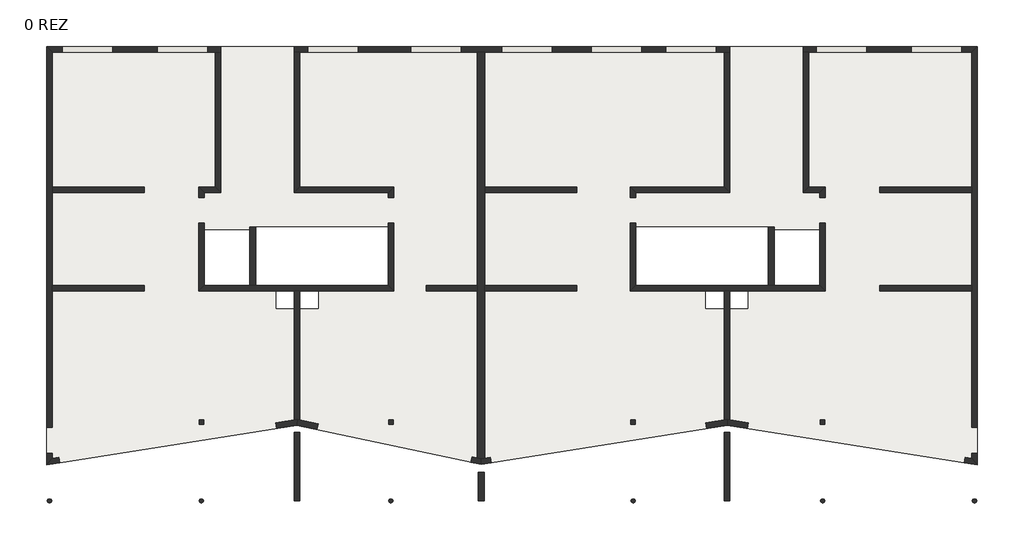
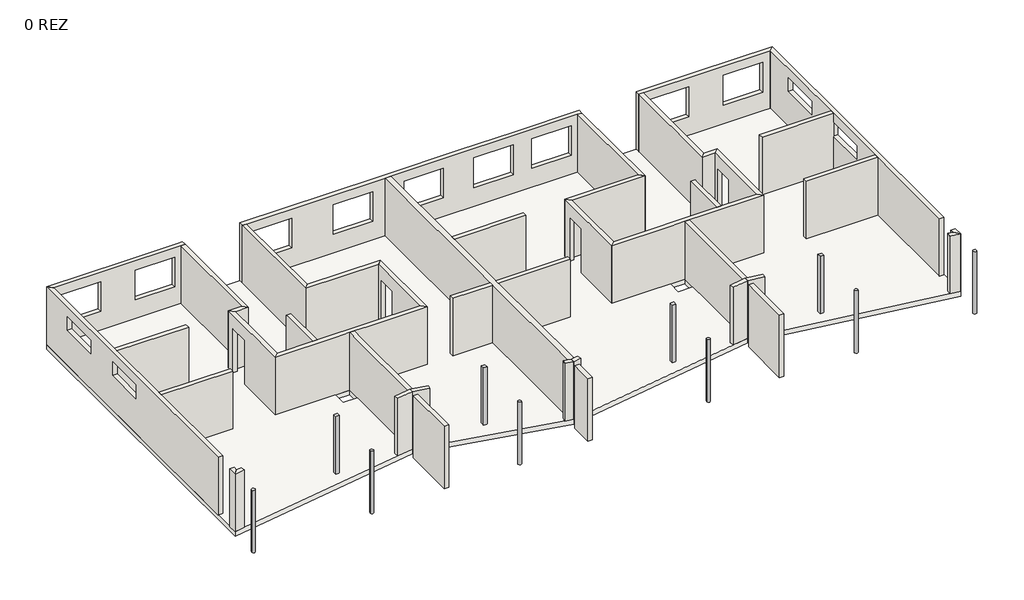
# One storey: 44 walls, 10 columns, 1 slab.
"""IFC4 building model written with IfcOpenShell, lengths in millimetres."""

from ifc_helpers import new_model, si_unit, point, frame, frame_2d, origin, origin_with_axes, place, context, project, spatial, polyline, circle_curve, trimmed, segment, composite_curve, outline, extrude, faceted_brep, element, save

model = new_model("IFC4")

# Units and contexts
model_context = context("Model", 3, world=origin())
ifc_project = project(units=[si_unit("LENGTHUNIT", "METRE", prefix="MILLI")], contexts=[model_context])

# Site, building, storey
site = spatial("IfcSite", under=ifc_project)
building = spatial("IfcBuilding", under=site)
storey = spatial("IfcBuildingStorey", under=building, Name="0 REZ", Elevation=0.0)

# Columns
placement = place(None, origin())
element("IfcColumn", 1, ObjectType="160 x 160mm", at=placement, inside=storey, context=model_context, shape_type="SweptSolid", body=[
    extrude(outline(polyline([(-14515.1776751, -17054.4834406), (-14515.1776751, -17214.4834406), (-14675.1776751, -17214.4834406), (-14675.1776751, -17054.4834406), (-14515.1776751, -17054.4834406)])), origin_with_axes(), (0.0, 0.0, 1.0), 2740.0),
])
element("IfcColumn", 2, ObjectType="160 x 160mm", at=placement, inside=storey, context=model_context, shape_type="SweptSolid", body=[
    extrude(outline(polyline([(-7875.1776751, -17054.4834406), (-7875.1776751, -17214.4834406), (-8035.1776751, -17214.4834406), (-8035.1776751, -17054.4834406), (-7875.1776751, -17054.4834406)])), origin_with_axes(), (0.0, 0.0, 1.0), 2740.0),
])
element("IfcColumn", 3, ObjectType="160 x 160mm", at=placement, inside=storey, context=model_context, shape_type="SweptSolid", body=[
    extrude(outline(polyline([(614.8223249, -17054.4834406), (614.8223249, -17214.4834406), (454.8223249, -17214.4834406), (454.8223249, -17054.4834406), (614.8223249, -17054.4834406)])), origin_with_axes(), (0.0, 0.0, 1.0), 2740.0),
])
element("IfcColumn", 4, ObjectType="160 x 160mm", at=placement, inside=storey, context=model_context, shape_type="SweptSolid", body=[
    extrude(outline(polyline([(7254.8223249, -17054.4834406), (7254.8223249, -17214.4834406), (7094.8223249, -17214.4834406), (7094.8223249, -17054.4834406), (7254.8223249, -17054.4834406)])), origin_with_axes(), (0.0, 0.0, 1.0), 2740.0),
])
element("IfcColumn", 5, ObjectType="160mm", at=placement, inside=storey, context=model_context, shape_type="SweptSolid", body=[
    extrude(outline(composite_curve([segment(trimmed(circle_curve(frame_2d((-7955.1776751, -19889.4834406)), 80.0), [point((-8035.1776751, -19889.4834406))], [point((-7875.1776751, -19889.4834406))], False, "CARTESIAN"), True, "CONTINUOUS"), segment(trimmed(circle_curve(frame_2d((-7955.1776751, -19889.4834406)), 80.0), [point((-7875.1776751, -19889.4834406))], [point((-8035.1776751, -19889.4834406))], False, "CARTESIAN"), True, "CONTINUOUS")], self_intersect=False)), frame((0.0, 0.0, -220.0), z_axis=(0.0, 0.0, 1.0), x_axis=(1.0, 0.0, 0.0)), (0.0, 0.0, 1.0), 2960.0),
])
element("IfcColumn", 6, ObjectType="160mm", at=placement, inside=storey, context=model_context, shape_type="SweptSolid", body=[
    extrude(outline(composite_curve([segment(trimmed(circle_curve(frame_2d((534.8223249, -19889.4834406)), 80.0), [point((454.8223249, -19889.4834406))], [point((614.8223249, -19889.4834406))], False, "CARTESIAN"), True, "CONTINUOUS"), segment(trimmed(circle_curve(frame_2d((534.8223249, -19889.4834406)), 80.0), [point((614.8223249, -19889.4834406))], [point((454.8223249, -19889.4834406))], False, "CARTESIAN"), True, "CONTINUOUS")], self_intersect=False)), frame((0.0, 0.0, -220.0), z_axis=(0.0, 0.0, 1.0), x_axis=(1.0, 0.0, 0.0)), (0.0, 0.0, 1.0), 2960.0),
])
element("IfcColumn", 7, ObjectType="160mm", at=placement, inside=storey, context=model_context, shape_type="SweptSolid", body=[
    extrude(outline(composite_curve([segment(trimmed(circle_curve(frame_2d((7174.8223249, -19889.4834406)), 80.0), [point((7094.8223249, -19889.4834406))], [point((7254.8223249, -19889.4834406))], False, "CARTESIAN"), True, "CONTINUOUS"), segment(trimmed(circle_curve(frame_2d((7174.8223249, -19889.4834406)), 80.0), [point((7254.8223249, -19889.4834406))], [point((7094.8223249, -19889.4834406))], False, "CARTESIAN"), True, "CONTINUOUS")], self_intersect=False)), frame((0.0, 0.0, -220.0), z_axis=(0.0, 0.0, 1.0), x_axis=(1.0, 0.0, 0.0)), (0.0, 0.0, 1.0), 2960.0),
])
element("IfcColumn", 8, ObjectType="160mm", at=placement, inside=storey, context=model_context, shape_type="SweptSolid", body=[
    extrude(outline(composite_curve([segment(trimmed(circle_curve(frame_2d((-14595.1776751, -19889.4834406)), 80.0), [point((-14675.1776751, -19889.4834406))], [point((-14515.1776751, -19889.4834406))], False, "CARTESIAN"), True, "CONTINUOUS"), segment(trimmed(circle_curve(frame_2d((-14595.1776751, -19889.4834406)), 80.0), [point((-14515.1776751, -19889.4834406))], [point((-14675.1776751, -19889.4834406))], False, "CARTESIAN"), True, "CONTINUOUS")], self_intersect=False)), frame((0.0, 0.0, -220.0), z_axis=(0.0, 0.0, 1.0), x_axis=(1.0, 0.0, 0.0)), (0.0, 0.0, 1.0), 2960.0),
])
element("IfcColumn", 9, ObjectType="160mm", at=placement, inside=storey, context=model_context, shape_type="SweptSolid", body=[
    extrude(outline(composite_curve([segment(trimmed(circle_curve(frame_2d((-19920.1776751, -19889.4834406)), 80.0), [point((-20000.1776751, -19889.4834406))], [point((-19840.1776751, -19889.4834406))], False, "CARTESIAN"), True, "CONTINUOUS"), segment(trimmed(circle_curve(frame_2d((-19920.1776751, -19889.4834406)), 80.0), [point((-19840.1776751, -19889.4834406))], [point((-20000.1776751, -19889.4834406))], False, "CARTESIAN"), True, "CONTINUOUS")], self_intersect=False)), frame((0.0, 0.0, -220.0), z_axis=(0.0, 0.0, 1.0), x_axis=(1.0, 0.0, 0.0)), (0.0, 0.0, 1.0), 2960.0),
])
element("IfcColumn", 10, ObjectType="160mm", at=placement, inside=storey, context=model_context, shape_type="SweptSolid", body=[
    extrude(outline(composite_curve([segment(trimmed(circle_curve(frame_2d((12499.8223249, -19889.4834406)), 80.0), [point((12419.8223249, -19889.4834406))], [point((12579.8223249, -19889.4834406))], False, "CARTESIAN"), True, "CONTINUOUS"), segment(trimmed(circle_curve(frame_2d((12499.8223249, -19889.4834406)), 80.0), [point((12579.8223249, -19889.4834406))], [point((12419.8223249, -19889.4834406))], False, "CARTESIAN"), True, "CONTINUOUS")], self_intersect=False)), frame((0.0, 0.0, -220.0), z_axis=(0.0, 0.0, 1.0), x_axis=(1.0, 0.0, 0.0)), (0.0, 0.0, 1.0), 2960.0),
])

# Slab
element("IfcSlab", 11, at=placement, inside=storey, context=model_context, shape_type="Brep", body=[
    faceted_brep([(-20020.1776751, -3954.4834406, -220.0), (12599.8223249, -3954.4834406, -220.0), (12599.8223249, -18629.1152621, -220.0), (3824.8769313, -17235.7449705, -220.0), (-4792.8066273, -18613.6740595, -220.0), (-11247.8611952, -17236.1624147, -220.0), (-20020.1776751, -18629.1152621, -220.0), (-12895.1776751, -10389.4834406, -220.0), (-14495.1776751, -10389.4834406, -220.0), (-14495.1776751, -12334.4834406, -220.0), (-12895.1776751, -12334.4834406, -220.0), (7074.8223249, -12334.4834406, -220.0), (7074.8223249, -10389.4834406, -220.0), (5474.8223249, -10389.4834406, -220.0), (5474.8223249, -12334.4834406, -220.0), (-12695.1776751, -12334.4834406, -220.0), (-8055.1776751, -12334.4834406, -220.0), (-8055.1776751, -10289.4834406, -220.0), (-12695.1776751, -10289.4834406, -220.0), (5274.8223249, -12334.4834406, -220.0), (5274.8223249, -10289.4834406, -220.0), (634.8223249, -10289.4834406, -220.0), (634.8223249, -12334.4834406, -220.0), (-11975.1776751, -12534.4834406, -220.0), (-11975.1776751, -13134.4834406, -220.0), (-11345.1776751, -13134.4834406, -220.0), (-11345.1776751, -12534.4834406, -220.0), (-10495.1776751, -12534.4834406, -220.0), (-11145.1776751, -12534.4834406, -220.0), (-11145.1776751, -13134.4834406, -220.0), (-10495.1776751, -13134.4834406, -220.0), (3074.8223249, -12534.4834406, -220.0), (3074.8223249, -13134.4834406, -220.0), (3724.8223249, -13134.4834406, -220.0), (3724.8223249, -12534.4834406, -220.0), (4554.8223249, -12534.4834406, -220.0), (3924.8223249, -12534.4834406, -220.0), (3924.8223249, -13134.4834406, -220.0), (4554.8223249, -13134.4834406, -220.0), (12599.8223249, -3954.4834406, 0.0), (-20020.1776751, -3954.4834406, 0.0), (-20020.1776751, -18629.1152621, 0.0), (-19563.7640724, -18556.6415171, 0.0), (-11247.8611952, -17236.1624147, 0.0), (-4792.8066273, -18613.6740595, 0.0), (3824.8769313, -17235.7449705, 0.0), (12599.8223249, -18629.1152621, 0.0), (-14495.1776751, -10389.4834406, 0.0), (-12895.1776751, -10389.4834406, 0.0), (-12895.1776751, -12334.4834406, 0.0), (-14495.1776751, -12334.4834406, 0.0), (7074.8223249, -10389.4834406, 0.0), (7074.8223249, -12334.4834406, 0.0), (5474.8223249, -12334.4834406, 0.0), (5474.8223249, -10389.4834406, 0.0), (-8055.1776751, -12334.4834406, 0.0), (-12695.1776751, -12334.4834406, 0.0), (-12695.1776751, -10289.4834406, 0.0), (-8055.1776751, -10289.4834406, 0.0), (5274.8223249, -10289.4834406, 0.0), (5274.8223249, -12334.4834406, 0.0), (634.8223249, -12334.4834406, 0.0), (634.8223249, -10289.4834406, 0.0), (-11975.1776751, -13134.4834406, 0.0), (-11975.1776751, -12534.4834406, 0.0), (-11345.1776751, -12534.4834406, 0.0), (-11345.1776751, -13134.4834406, 0.0), (-11145.1776751, -12534.4834406, 0.0), (-10495.1776751, -12534.4834406, 0.0), (-10495.1776751, -13134.4834406, 0.0), (-11145.1776751, -13134.4834406, 0.0), (3074.8223249, -13134.4834406, 0.0), (3074.8223249, -12534.4834406, 0.0), (3724.8223249, -12534.4834406, 0.0), (3724.8223249, -13134.4834406, 0.0), (3924.8223249, -12534.4834406, 0.0), (4554.8223249, -12534.4834406, 0.0), (4554.8223249, -13134.4834406, 0.0), (3924.8223249, -13134.4834406, 0.0)], [[[0, 1, 2, 3, 4, 5, 6], [7, 8, 9, 10], [11, 12, 13, 14], [15, 16, 17, 18], [19, 20, 21, 22], [23, 24, 25, 26], [27, 28, 29, 30], [31, 32, 33, 34], [35, 36, 37, 38]], [[39, 40, 41, 42, 43, 44, 45, 46], [47, 48, 49, 50], [51, 52, 53, 54], [55, 56, 57, 58], [59, 60, 61, 62], [63, 64, 65, 66], [67, 68, 69, 70], [71, 72, 73, 74], [75, 76, 77, 78]], [[1, 0, 40, 39]], [[2, 1, 39, 46]], [[3, 2, 46, 45]], [[4, 3, 45, 44]], [[5, 4, 44, 43]], [[6, 5, 43, 42, 41]], [[0, 6, 41, 40]], [[7, 48, 47, 8]], [[8, 47, 50, 9]], [[9, 50, 49, 10]], [[48, 7, 10, 49]], [[11, 52, 51, 12]], [[12, 51, 54, 13]], [[13, 54, 53, 14]], [[52, 11, 14, 53]], [[15, 56, 55, 16]], [[16, 55, 58, 17]], [[56, 15, 18, 57]], [[19, 60, 59, 20]], [[61, 22, 21, 62]], [[60, 19, 22, 61]], [[23, 64, 63, 24]], [[24, 63, 66, 25]], [[25, 66, 65, 26]], [[64, 23, 26, 65]], [[27, 68, 67, 28]], [[28, 67, 70, 29]], [[29, 70, 69, 30]], [[68, 27, 30, 69]], [[31, 72, 71, 32]], [[32, 71, 74, 33]], [[33, 74, 73, 34]], [[72, 31, 34, 73]], [[35, 76, 75, 36]], [[36, 75, 78, 37]], [[37, 78, 77, 38]], [[76, 35, 38, 77]], [[57, 18, 17, 58]], [[62, 21, 20, 59]]]),
])

# Walls
element("IfcWall", 12, at=placement, inside=storey, context=model_context, shape_type="Brep", body=[
    faceted_brep([(-4920.1776751, -4154.4834406, 0.0), (-4920.1776751, -12334.4834406, 0.0), (-4920.1776751, -12534.4834406, 0.0), (-4920.1776751, -18381.9897416, 0.0), (-4920.1776751, -18381.9897416, 2740.0), (-4920.1776751, -12534.4834406, 2740.0), (-4920.1776751, -12334.4834406, 2740.0), (-4920.1776751, -4154.4834406, 2740.0), (-4660.1776751, -4154.4834406, 0.0), (-4660.1776751, -4154.4834406, 2740.0), (-4660.1776751, -8884.4834406, 2740.0), (-4660.1776751, -9084.4834406, 2740.0), (-4660.1776751, -12334.4834406, 2740.0), (-4660.1776751, -12534.4834406, 2740.0), (-4660.1776751, -18389.9267603, 2740.0), (-4660.1776751, -18389.9267603, 0.0), (-4660.1776751, -12534.4834406, 0.0), (-4660.1776751, -12334.4834406, 0.0), (-4660.1776751, -9084.4834406, 0.0), (-4660.1776751, -8884.4834406, 0.0), (-4787.548723, -18410.2928217, 2740.0), (-4787.548723, -18410.2928217, 0.0)], [[[0, 1, 2, 3, 4, 5, 6, 7]], [[8, 9, 10, 11, 12, 13, 14, 15, 16, 17, 18, 19]], [[0, 7, 9, 8]], [[7, 6, 5, 4, 20, 14, 13, 12, 11, 10, 9]], [[3, 2, 1, 0, 8, 19, 18, 17, 16, 15, 21]], [[4, 3, 21, 20]], [[21, 15, 14, 20]]]),
])
element("IfcWall", 13, at=placement, inside=storey, context=model_context, shape_type="SweptSolid", body=[
    extrude(outline(polyline([(-14100.1776751, -8884.4834406), (-14100.1776751, -4154.4834406), (-13910.1776751, -4154.4834406), (-13910.1776751, -9084.4834406), (-14100.1776751, -8884.4834406)])), origin_with_axes(), (0.0, 0.0, 1.0), 2740.0),
])
element("IfcWall", 14, at=placement, inside=storey, context=model_context, shape_type="SweptSolid", body=[
    extrude(outline(polyline([(-11340.1776751, -9084.4834406), (-11340.1776751, -4154.4834406), (-11150.1776751, -4154.4834406), (-11150.1776751, -8884.4834406), (-11340.1776751, -9084.4834406)])), origin_with_axes(), (0.0, 0.0, 1.0), 2740.0),
])
element("IfcWall", 15, at=placement, inside=storey, context=model_context, shape_type="SweptSolid", body=[
    extrude(outline(polyline([(3729.8223249, -8884.4834406), (3729.8223249, -4154.4834406), (3919.8223249, -4154.4834406), (3919.8223249, -9084.4834406), (3729.8223249, -8884.4834406)])), origin_with_axes(), (0.0, 0.0, 1.0), 2740.0),
])
element("IfcWall", 16, at=placement, inside=storey, context=model_context, shape_type="SweptSolid", body=[
    extrude(outline(polyline([(6489.8223249, -9084.4834406), (6489.8223249, -4154.4834406), (6679.8223249, -4154.4834406), (6679.8223249, -8884.4834406), (6489.8223249, -9084.4834406)])), origin_with_axes(), (0.0, 0.0, 1.0), 2740.0),
])
element("IfcWall", 17, at=placement, inside=storey, context=model_context, shape_type="Brep", body=[
    faceted_brep([(-19820.1776751, -4154.4834406, 0.0), (-14100.1776751, -4154.4834406, 0.0), (-13910.1776751, -4154.4834406, 0.0), (-13910.1776751, -4154.4834406, 2740.0), (-14100.1776751, -4154.4834406, 2740.0), (-19820.1776751, -4154.4834406, 2740.0), (-19470.1776751, -4154.4834406, 2300.0), (-17700.1776751, -4154.4834406, 2300.0), (-17700.1776751, -4154.4834406, 890.0), (-19470.1776751, -4154.4834406, 890.0), (-14375.1776751, -4154.4834406, 2300.0), (-14375.1776751, -4154.4834406, 890.0), (-16145.1776751, -4154.4834406, 890.0), (-16145.1776751, -4154.4834406, 2300.0), (-20020.1776751, -3954.4834406, 0.0), (-20020.1776751, -3954.4834406, 2740.0), (-16600.1776751, -3954.4834406, 2740.0), (-14100.1776751, -3954.4834406, 2740.0), (-13910.1776751, -3954.4834406, 2740.0), (-13910.1776751, -3954.4834406, 0.0), (-19470.1776751, -3954.4834406, 2300.0), (-19470.1776751, -3954.4834406, 890.0), (-17700.1776751, -3954.4834406, 890.0), (-17700.1776751, -3954.4834406, 2300.0), (-14375.1776751, -3954.4834406, 2300.0), (-16145.1776751, -3954.4834406, 2300.0), (-16145.1776751, -3954.4834406, 890.0), (-14375.1776751, -3954.4834406, 890.0)], [[[0, 1, 2, 3, 4, 5], [6, 7, 8, 9], [10, 11, 12, 13]], [[14, 15, 16, 17, 18, 19], [20, 21, 22, 23], [24, 25, 26, 27]], [[0, 5, 15, 14]], [[5, 4, 3, 18, 17, 16, 15]], [[2, 1, 0, 14, 19]], [[3, 2, 19, 18]], [[21, 20, 6, 9]], [[22, 21, 9, 8]], [[23, 22, 8, 7]], [[20, 23, 7, 6]], [[11, 10, 24, 27]], [[12, 11, 27, 26]], [[13, 12, 26, 25]], [[10, 13, 25, 24]]]),
])
element("IfcWall", 18, at=placement, inside=storey, context=model_context, shape_type="Brep", body=[
    faceted_brep([(12399.8223249, -4154.4834406, 0.0), (12399.8223249, -8884.4834406, 0.0), (12399.8223249, -9084.4834406, 0.0), (12399.8223249, -12334.4834406, 0.0), (12399.8223249, -12534.4834406, 0.0), (12399.8223249, -17318.4834406, 0.0), (12399.8223249, -17318.4834406, 2740.0), (12399.8223249, -12534.4834406, 2740.0), (12399.8223249, -12334.4834406, 2740.0), (12399.8223249, -9084.4834406, 2740.0), (12399.8223249, -8884.4834406, 2740.0), (12399.8223249, -4154.4834406, 2740.0), (12399.8223249, -9063.8516191, 2300.0), (12399.8223249, -10883.8516191, 2300.0), (12399.8223249, -10883.8516191, 1650.0), (12399.8223249, -9063.8516191, 1650.0), (12399.8223249, -7394.4834406, 2300.0), (12399.8223249, -7394.4834406, 1650.0), (12399.8223249, -5554.4834406, 1650.0), (12399.8223249, -5554.4834406, 2300.0), (12599.8223249, -3954.4834406, 0.0), (12599.8223249, -3954.4834406, 2740.0), (12599.8223249, -17318.4834406, 2740.0), (12599.8223249, -17318.4834406, 0.0), (12599.8223249, -9063.8516191, 2300.0), (12599.8223249, -9063.8516191, 1650.0), (12599.8223249, -10883.8516191, 1650.0), (12599.8223249, -10883.8516191, 2300.0), (12599.8223249, -7394.4834406, 2300.0), (12599.8223249, -5554.4834406, 2300.0), (12599.8223249, -5554.4834406, 1650.0), (12599.8223249, -7394.4834406, 1650.0)], [[[0, 1, 2, 3, 4, 5, 6, 7, 8, 9, 10, 11], [12, 13, 14, 15], [16, 17, 18, 19]], [[20, 21, 22, 23], [24, 25, 26, 27], [28, 29, 30, 31]], [[6, 5, 23, 22]], [[0, 11, 21, 20]], [[11, 10, 9, 8, 7, 6, 22, 21]], [[5, 4, 3, 2, 1, 0, 20, 23]], [[25, 24, 12, 15]], [[26, 25, 15, 14]], [[27, 26, 14, 13]], [[24, 27, 13, 12]], [[17, 16, 28, 31]], [[18, 17, 31, 30]], [[19, 18, 30, 29]], [[16, 19, 29, 28]]]),
])
element("IfcWall", 19, at=placement, inside=storey, context=model_context, shape_type="Brep", body=[
    faceted_brep([(-11340.1776751, -4154.4834406, 0.0), (-11150.1776751, -4154.4834406, 0.0), (-4920.1776751, -4154.4834406, 0.0), (-4660.1776751, -4154.4834406, 0.0), (3729.8223249, -4154.4834406, 0.0), (3919.8223249, -4154.4834406, 0.0), (3919.8223249, -4154.4834406, 2740.0), (3729.8223249, -4154.4834406, 2740.0), (-4660.1776751, -4154.4834406, 2740.0), (-4920.1776751, -4154.4834406, 2740.0), (-11150.1776751, -4154.4834406, 2740.0), (-11340.1776751, -4154.4834406, 2740.0), (-9105.1776751, -4154.4834406, 2300.0), (-9105.1776751, -4154.4834406, 890.0), (-10875.1776751, -4154.4834406, 890.0), (-10875.1776751, -4154.4834406, 2300.0), (-7250.1776751, -4154.4834406, 2300.0), (-5480.1776751, -4154.4834406, 2300.0), (-5480.1776751, -4154.4834406, 890.0), (-7250.1776751, -4154.4834406, 890.0), (-2295.1776751, -4154.4834406, 2300.0), (-2295.1776751, -4154.4834406, 890.0), (-4065.1776751, -4154.4834406, 890.0), (-4065.1776751, -4154.4834406, 2300.0), (3454.8223249, -4154.4834406, 2300.0), (3454.8223249, -4154.4834406, 890.0), (1684.8223249, -4154.4834406, 890.0), (1684.8223249, -4154.4834406, 2300.0), (844.8223249, -4154.4834406, 2300.0), (844.8223249, -4154.4834406, 890.0), (-925.1776751, -4154.4834406, 890.0), (-925.1776751, -4154.4834406, 2300.0), (-11340.1776751, -3954.4834406, 0.0), (-11340.1776751, -3954.4834406, 2740.0), (-7385.1776751, -3954.4834406, 2740.0), (-4920.1776751, -3954.4834406, 2740.0), (-1440.1776751, -3954.4834406, 2740.0), (1059.8223249, -3954.4834406, 2740.0), (3919.8223249, -3954.4834406, 2740.0), (3919.8223249, -3954.4834406, 0.0), (-9105.1776751, -3954.4834406, 2300.0), (-10875.1776751, -3954.4834406, 2300.0), (-10875.1776751, -3954.4834406, 890.0), (-9105.1776751, -3954.4834406, 890.0), (-7250.1776751, -3954.4834406, 2300.0), (-7250.1776751, -3954.4834406, 890.0), (-5480.1776751, -3954.4834406, 890.0), (-5480.1776751, -3954.4834406, 2300.0), (-2295.1776751, -3954.4834406, 2300.0), (-4065.1776751, -3954.4834406, 2300.0), (-4065.1776751, -3954.4834406, 890.0), (-2295.1776751, -3954.4834406, 890.0), (3454.8223249, -3954.4834406, 2300.0), (1684.8223249, -3954.4834406, 2300.0), (1684.8223249, -3954.4834406, 890.0), (3454.8223249, -3954.4834406, 890.0), (844.8223249, -3954.4834406, 2300.0), (-925.1776751, -3954.4834406, 2300.0), (-925.1776751, -3954.4834406, 890.0), (844.8223249, -3954.4834406, 890.0)], [[[0, 1, 2, 3, 4, 5, 6, 7, 8, 9, 10, 11], [12, 13, 14, 15], [16, 17, 18, 19], [20, 21, 22, 23], [24, 25, 26, 27], [28, 29, 30, 31]], [[32, 33, 34, 35, 36, 37, 38, 39], [40, 41, 42, 43], [44, 45, 46, 47], [48, 49, 50, 51], [52, 53, 54, 55], [56, 57, 58, 59]], [[11, 10, 9, 8, 7, 6, 38, 37, 36, 35, 34, 33]], [[5, 4, 3, 2, 1, 0, 32, 39]], [[0, 11, 33, 32]], [[6, 5, 39, 38]], [[13, 12, 40, 43]], [[14, 13, 43, 42]], [[15, 14, 42, 41]], [[12, 15, 41, 40]], [[45, 44, 16, 19]], [[46, 45, 19, 18]], [[47, 46, 18, 17]], [[44, 47, 17, 16]], [[21, 20, 48, 51]], [[22, 21, 51, 50]], [[23, 22, 50, 49]], [[20, 23, 49, 48]], [[25, 24, 52, 55]], [[26, 25, 55, 54]], [[27, 26, 54, 53]], [[24, 27, 53, 52]], [[29, 28, 56, 59]], [[30, 29, 59, 58]], [[31, 30, 58, 57]], [[28, 31, 57, 56]]]),
])
element("IfcWall", 20, at=placement, inside=storey, context=model_context, shape_type="Brep", body=[
    faceted_brep([(6489.8223249, -4154.4834406, 0.0), (6679.8223249, -4154.4834406, 0.0), (12399.8223249, -4154.4834406, 0.0), (12399.8223249, -4154.4834406, 2740.0), (6679.8223249, -4154.4834406, 2740.0), (6489.8223249, -4154.4834406, 2740.0), (6954.8223249, -4154.4834406, 2300.0), (8724.8223249, -4154.4834406, 2300.0), (8724.8223249, -4154.4834406, 890.0), (6954.8223249, -4154.4834406, 890.0), (10279.8223249, -4154.4834406, 2300.0), (12049.8223249, -4154.4834406, 2300.0), (12049.8223249, -4154.4834406, 890.0), (10279.8223249, -4154.4834406, 890.0), (6489.8223249, -3954.4834406, 0.0), (6489.8223249, -3954.4834406, 2740.0), (6679.8223249, -3954.4834406, 2740.0), (9179.8223249, -3954.4834406, 2740.0), (12599.8223249, -3954.4834406, 2740.0), (12599.8223249, -3954.4834406, 0.0), (6954.8223249, -3954.4834406, 2300.0), (6954.8223249, -3954.4834406, 890.0), (8724.8223249, -3954.4834406, 890.0), (8724.8223249, -3954.4834406, 2300.0), (10279.8223249, -3954.4834406, 2300.0), (10279.8223249, -3954.4834406, 890.0), (12049.8223249, -3954.4834406, 890.0), (12049.8223249, -3954.4834406, 2300.0)], [[[0, 1, 2, 3, 4, 5], [6, 7, 8, 9], [10, 11, 12, 13]], [[14, 15, 16, 17, 18, 19], [20, 21, 22, 23], [24, 25, 26, 27]], [[3, 2, 19, 18]], [[5, 4, 3, 18, 17, 16, 15]], [[2, 1, 0, 14, 19]], [[0, 5, 15, 14]], [[21, 20, 6, 9]], [[22, 21, 9, 8]], [[23, 22, 8, 7]], [[20, 23, 7, 6]], [[25, 24, 10, 13]], [[26, 25, 13, 12]], [[27, 26, 12, 11]], [[24, 27, 11, 10]]]),
])
element("IfcWall", 21, at=placement, inside=storey, context=model_context, shape_type="SweptSolid", body=[
    extrude(outline(polyline([(-13910.1776751, -9084.4834406), (-14495.1776751, -9084.4834406), (-14695.1776751, -8884.4834406), (-14100.1776751, -8884.4834406), (-13910.1776751, -9084.4834406)])), origin_with_axes(), (0.0, 0.0, 1.0), 2740.0),
])
element("IfcWall", 22, at=placement, inside=storey, context=model_context, shape_type="SweptSolid", body=[
    extrude(outline(polyline([(-19820.1776751, -8884.4834406), (-16600.1776751, -8884.4834406), (-16600.1776751, -9084.4834406), (-19820.1776751, -9084.4834406), (-19820.1776751, -8884.4834406)])), origin_with_axes(), (0.0, 0.0, 1.0), 2740.0),
])
element("IfcWall", 23, at=placement, inside=storey, context=model_context, shape_type="SweptSolid", body=[
    extrude(outline(polyline([(-19820.1776751, -12334.4834406), (-16600.1776751, -12334.4834406), (-16600.1776751, -12534.4834406), (-19820.1776751, -12534.4834406), (-19820.1776751, -12334.4834406)])), origin_with_axes(), (0.0, 0.0, 1.0), 2740.0),
])
element("IfcWall", 24, at=placement, inside=storey, context=model_context, shape_type="Brep", body=[
    faceted_brep([(-14695.1776751, -10144.4834406, 2100.0), (-14695.1776751, -10144.4834406, 0.0), (-14695.1776751, -12534.4834406, 0.0), (-14695.1776751, -12534.4834406, 2740.0), (-14695.1776751, -8884.4834406, 2740.0), (-14695.1776751, -8884.4834406, 0.0), (-14695.1776751, -9244.4834406, 0.0), (-14695.1776751, -9244.4834406, 2100.0), (-14495.1776751, -12334.4834406, 0.0), (-14495.1776751, -10144.4834406, 0.0), (-14495.1776751, -10144.4834406, 2100.0), (-14495.1776751, -9244.4834406, 2100.0), (-14495.1776751, -9244.4834406, 0.0), (-14495.1776751, -9084.4834406, 0.0), (-14495.1776751, -9084.4834406, 2740.0), (-14495.1776751, -10389.4834406, 2740.0), (-14495.1776751, -12334.4834406, 2740.0)], [[[0, 1, 2, 3, 4, 5, 6, 7]], [[8, 9, 10, 11, 12, 13, 14, 15, 16]], [[5, 4, 14, 13]], [[3, 2, 8, 16]], [[4, 3, 16, 15, 14]], [[6, 5, 13, 12]], [[2, 1, 9, 8]], [[12, 11, 7, 6]], [[10, 9, 1, 0]], [[11, 10, 0, 7]]]),
])
element("IfcWall", 25, at=placement, inside=storey, context=model_context, shape_type="SweptSolid", body=[
    extrude(outline(polyline([(-8055.1776751, -9084.4834406), (-11340.1776751, -9084.4834406), (-11150.1776751, -8884.4834406), (-7855.1776751, -8884.4834406), (-8055.1776751, -9084.4834406)])), origin_with_axes(), (0.0, 0.0, 1.0), 2740.0),
])
element("IfcWall", 26, at=placement, inside=storey, context=model_context, shape_type="Brep", body=[
    faceted_brep([(-8055.1776751, -10144.4834406, 2100.0), (-8055.1776751, -10144.4834406, 0.0), (-8055.1776751, -12334.4834406, 0.0), (-8055.1776751, -12334.4834406, 2740.0), (-8055.1776751, -10289.4834406, 2740.0), (-8055.1776751, -9084.4834406, 2740.0), (-8055.1776751, -9084.4834406, 0.0), (-8055.1776751, -9244.4834406, 0.0), (-8055.1776751, -9244.4834406, 2100.0), (-7855.1776751, -12534.4834406, 0.0), (-7855.1776751, -10144.4834406, 0.0), (-7855.1776751, -10144.4834406, 2100.0), (-7855.1776751, -9244.4834406, 2100.0), (-7855.1776751, -9244.4834406, 0.0), (-7855.1776751, -8884.4834406, 0.0), (-7855.1776751, -8884.4834406, 2740.0), (-7855.1776751, -12534.4834406, 2740.0)], [[[0, 1, 2, 3, 4, 5, 6, 7, 8]], [[9, 10, 11, 12, 13, 14, 15, 16]], [[6, 5, 15, 14]], [[3, 2, 9, 16]], [[5, 4, 3, 16, 15]], [[7, 6, 14, 13]], [[2, 1, 10, 9]], [[13, 12, 8, 7]], [[11, 10, 1, 0]], [[12, 11, 0, 8]]]),
])
element("IfcWall", 27, at=placement, inside=storey, context=model_context, shape_type="Brep", body=[
    faceted_brep([(-8055.1776751, -12334.4834406, 0.0), (-12695.1776751, -12334.4834406, 0.0), (-12895.1776751, -12334.4834406, 0.0), (-14495.1776751, -12334.4834406, 0.0), (-14495.1776751, -12334.4834406, 2740.0), (-12895.1776751, -12334.4834406, 2740.0), (-12695.1776751, -12334.4834406, 2740.0), (-8055.1776751, -12334.4834406, 2740.0), (-7855.1776751, -12534.4834406, 0.0), (-7855.1776751, -12534.4834406, 2740.0), (-10495.1776751, -12534.4834406, 2740.0), (-11145.1776751, -12534.4834406, 2740.0), (-11345.1776751, -12534.4834406, 2740.0), (-11975.1776751, -12534.4834406, 2740.0), (-14695.1776751, -12534.4834406, 2740.0), (-14695.1776751, -12534.4834406, 0.0), (-11345.1776751, -12534.4834406, 0.0), (-11145.1776751, -12534.4834406, 0.0)], [[[0, 1, 2, 3, 4, 5, 6, 7]], [[8, 9, 10, 11, 12, 13, 14, 15, 16, 17]], [[4, 3, 15, 14]], [[0, 7, 9, 8]], [[7, 6, 5, 4, 14, 13, 12, 11, 10, 9]], [[3, 2, 1, 0, 8, 17, 16, 15]]]),
])
element("IfcWall", 28, at=placement, inside=storey, context=model_context, shape_type="Brep", body=[
    faceted_brep([(-12895.1776751, -10289.4834406, 0.0), (-12895.1776751, -12334.4834406, 0.0), (-12895.1776751, -12334.4834406, 2740.0), (-12895.1776751, -10389.4834406, 2740.0), (-12895.1776751, -10289.4834406, 2740.0), (-12695.1776751, -10289.4834406, 0.0), (-12695.1776751, -10289.4834406, 2740.0), (-12695.1776751, -12334.4834406, 2740.0), (-12695.1776751, -12334.4834406, 0.0)], [[[0, 1, 2, 3, 4]], [[5, 6, 7, 8]], [[0, 4, 6, 5]], [[2, 1, 8, 7]], [[4, 3, 2, 7, 6]], [[1, 0, 5, 8]]]),
])
element("IfcWall", 29, at=placement, inside=storey, context=model_context, shape_type="SweptSolid", body=[
    extrude(outline(polyline([(-4660.1776751, -8884.4834406), (-1440.1776751, -8884.4834406), (-1440.1776751, -9084.4834406), (-4660.1776751, -9084.4834406), (-4660.1776751, -8884.4834406)])), origin_with_axes(), (0.0, 0.0, 1.0), 2740.0),
])
element("IfcWall", 30, at=placement, inside=storey, context=model_context, shape_type="SweptSolid", body=[
    extrude(outline(polyline([(434.8223249, -8884.4834406), (3729.8223249, -8884.4834406), (3919.8223249, -9084.4834406), (634.8223249, -9084.4834406), (434.8223249, -8884.4834406)])), origin_with_axes(), (0.0, 0.0, 1.0), 2740.0),
])
element("IfcWall", 31, at=placement, inside=storey, context=model_context, shape_type="Brep", body=[
    faceted_brep([(434.8223249, -8884.4834406, 0.0), (434.8223249, -9244.4834406, 0.0), (434.8223249, -9244.4834406, 2100.0), (434.8223249, -10144.4834406, 2100.0), (434.8223249, -10144.4834406, 0.0), (434.8223249, -12534.4834406, 0.0), (434.8223249, -12534.4834406, 2740.0), (434.8223249, -8884.4834406, 2740.0), (634.8223249, -9244.4834406, 2100.0), (634.8223249, -9244.4834406, 0.0), (634.8223249, -9084.4834406, 0.0), (634.8223249, -9084.4834406, 2740.0), (634.8223249, -10289.4834406, 2740.0), (634.8223249, -12334.4834406, 2740.0), (634.8223249, -12334.4834406, 0.0), (634.8223249, -10144.4834406, 0.0), (634.8223249, -10144.4834406, 2100.0)], [[[0, 1, 2, 3, 4, 5, 6, 7]], [[8, 9, 10, 11, 12, 13, 14, 15, 16]], [[0, 7, 11, 10]], [[6, 5, 14, 13]], [[7, 6, 13, 12, 11]], [[15, 14, 5, 4]], [[10, 9, 1, 0]], [[4, 3, 16, 15]], [[2, 1, 9, 8]], [[3, 2, 8, 16]]]),
])
element("IfcWall", 32, at=placement, inside=storey, context=model_context, shape_type="Brep", body=[
    faceted_brep([(434.8223249, -12534.4834406, 0.0), (3724.8223249, -12534.4834406, 0.0), (3924.8223249, -12534.4834406, 0.0), (7274.8223249, -12534.4834406, 0.0), (7274.8223249, -12534.4834406, 2740.0), (4554.8223249, -12534.4834406, 2740.0), (3924.8223249, -12534.4834406, 2740.0), (3724.8223249, -12534.4834406, 2740.0), (3074.8223249, -12534.4834406, 2740.0), (434.8223249, -12534.4834406, 2740.0), (634.8223249, -12334.4834406, 0.0), (634.8223249, -12334.4834406, 2740.0), (5274.8223249, -12334.4834406, 2740.0), (5474.8223249, -12334.4834406, 2740.0), (7074.8223249, -12334.4834406, 2740.0), (7074.8223249, -12334.4834406, 0.0), (5474.8223249, -12334.4834406, 0.0), (5274.8223249, -12334.4834406, 0.0)], [[[0, 1, 2, 3, 4, 5, 6, 7, 8, 9]], [[10, 11, 12, 13, 14, 15, 16, 17]], [[0, 9, 11, 10]], [[4, 3, 15, 14]], [[9, 8, 7, 6, 5, 4, 14, 13, 12, 11]], [[3, 2, 1, 0, 10, 17, 16, 15]]]),
])
element("IfcWall", 33, at=placement, inside=storey, context=model_context, shape_type="Brep", body=[
    faceted_brep([(7274.8223249, -12534.4834406, 0.0), (7274.8223249, -10144.4834406, 0.0), (7274.8223249, -10144.4834406, 2100.0), (7274.8223249, -9244.4834406, 2100.0), (7274.8223249, -9244.4834406, 0.0), (7274.8223249, -8884.4834406, 0.0), (7274.8223249, -8884.4834406, 2740.0), (7274.8223249, -12534.4834406, 2740.0), (7074.8223249, -10144.4834406, 2100.0), (7074.8223249, -10144.4834406, 0.0), (7074.8223249, -12334.4834406, 0.0), (7074.8223249, -12334.4834406, 2740.0), (7074.8223249, -10389.4834406, 2740.0), (7074.8223249, -9084.4834406, 2740.0), (7074.8223249, -9084.4834406, 0.0), (7074.8223249, -9244.4834406, 0.0), (7074.8223249, -9244.4834406, 2100.0)], [[[0, 1, 2, 3, 4, 5, 6, 7]], [[8, 9, 10, 11, 12, 13, 14, 15, 16]], [[0, 7, 11, 10]], [[6, 5, 14, 13]], [[7, 6, 13, 12, 11]], [[15, 14, 5, 4]], [[10, 9, 1, 0]], [[4, 3, 16, 15]], [[2, 1, 9, 8]], [[3, 2, 8, 16]]]),
])
element("IfcWall", 34, at=placement, inside=storey, context=model_context, shape_type="SweptSolid", body=[
    extrude(outline(polyline([(6679.8223249, -8884.4834406), (7274.8223249, -8884.4834406), (7074.8223249, -9084.4834406), (6489.8223249, -9084.4834406), (6679.8223249, -8884.4834406)])), origin_with_axes(), (0.0, 0.0, 1.0), 2740.0),
])
element("IfcWall", 35, at=placement, inside=storey, context=model_context, shape_type="Brep", body=[
    faceted_brep([(5274.8223249, -10289.4834406, 0.0), (5274.8223249, -12334.4834406, 0.0), (5274.8223249, -12334.4834406, 2740.0), (5274.8223249, -10289.4834406, 2740.0), (5474.8223249, -10289.4834406, 0.0), (5474.8223249, -10289.4834406, 2740.0), (5474.8223249, -10389.4834406, 2740.0), (5474.8223249, -12334.4834406, 2740.0), (5474.8223249, -12334.4834406, 0.0)], [[[0, 1, 2, 3]], [[4, 5, 6, 7, 8]], [[0, 3, 5, 4]], [[2, 1, 8, 7]], [[3, 2, 7, 6, 5]], [[1, 0, 4, 8]]]),
])
element("IfcWall", 36, at=placement, inside=storey, context=model_context, shape_type="SweptSolid", body=[
    extrude(outline(polyline([(12399.8223249, -12534.4834406), (9179.8223249, -12534.4834406), (9179.8223249, -12334.4834406), (12399.8223249, -12334.4834406), (12399.8223249, -12534.4834406)])), origin_with_axes(), (0.0, 0.0, 1.0), 2740.0),
])
element("IfcWall", 37, at=placement, inside=storey, context=model_context, shape_type="SweptSolid", body=[
    extrude(outline(polyline([(12399.8223249, -9084.4834406), (9179.8223249, -9084.4834406), (9179.8223249, -8884.4834406), (12399.8223249, -8884.4834406), (12399.8223249, -9084.4834406)])), origin_with_axes(), (0.0, 0.0, 1.0), 2740.0),
])
element("IfcWall", 38, at=placement, inside=storey, context=model_context, shape_type="Brep", body=[
    faceted_brep([(-11345.1776751, -12534.4834406, 0.0), (-11345.1776751, -17049.1095442, 0.0), (-11345.1776751, -17049.1095442, 2740.0), (-11345.1776751, -13134.4834406, 2740.0), (-11345.1776751, -12534.4834406, 2740.0), (-11145.1776751, -12534.4834406, 0.0), (-11145.1776751, -12534.4834406, 2740.0), (-11145.1776751, -13134.4834406, 2740.0), (-11145.1776751, -17053.5718485, 2740.0), (-11145.1776751, -17053.5718485, 0.0), (-11242.4941551, -17032.8044665, 2740.0), (-11242.4941551, -17032.8044665, 0.0)], [[[0, 1, 2, 3, 4]], [[5, 6, 7, 8, 9]], [[0, 4, 6, 5]], [[4, 3, 2, 10, 8, 7, 6]], [[1, 0, 5, 9, 11]], [[2, 1, 11, 10]], [[11, 9, 8, 10]]]),
])
element("IfcWall", 39, at=placement, inside=storey, context=model_context, shape_type="Brep", body=[
    faceted_brep([(3724.8223249, -12534.4834406, 0.0), (3724.8223249, -17049.2027325, 0.0), (3724.8223249, -17049.2027325, 2740.0), (3724.8223249, -13134.4834406, 2740.0), (3724.8223249, -12534.4834406, 2740.0), (3924.8223249, -12534.4834406, 0.0), (3924.8223249, -12534.4834406, 2740.0), (3924.8223249, -13134.4834406, 2740.0), (3924.8223249, -17049.1095442, 2740.0), (3924.8223249, -17049.1095442, 0.0), (3824.7677185, -17033.2219107, 0.0), (3824.7677185, -17033.2219107, 2740.0)], [[[0, 1, 2, 3, 4]], [[5, 6, 7, 8, 9]], [[0, 4, 6, 5]], [[2, 1, 10, 11]], [[10, 9, 8, 11]], [[4, 3, 2, 11, 8, 7, 6]], [[1, 0, 5, 9, 10]]]),
])
element("IfcWall", 40, at=placement, inside=storey, context=model_context, shape_type="SweptSolid", body=[
    extrude(outline(polyline([(-4920.1776751, -12534.4834406), (-6720.1776751, -12534.4834406), (-6720.1776751, -12334.4834406), (-4920.1776751, -12334.4834406), (-4920.1776751, -12534.4834406)])), origin_with_axes(), (0.0, 0.0, 1.0), 2740.0),
])
element("IfcWall", 41, at=placement, inside=storey, context=model_context, shape_type="SweptSolid", body=[
    extrude(outline(polyline([(-1440.1776751, -12534.4834406), (-4660.1776751, -12534.4834406), (-4660.1776751, -12334.4834406), (-1440.1776751, -12334.4834406), (-1440.1776751, -12534.4834406)])), origin_with_axes(), (0.0, 0.0, 1.0), 2740.0),
])
element("IfcWall", 42, at=placement, inside=storey, context=model_context, shape_type="Brep", body=[
    faceted_brep([(-20020.1776751, -3954.4834406, 0.0), (-20020.1776751, -17318.4834406, 0.0), (-20020.1776751, -17318.4834406, 2740.0), (-20020.1776751, -3954.4834406, 2740.0), (-20020.1776751, -10918.4834406, 2300.0), (-20020.1776751, -10918.4834406, 1650.0), (-20020.1776751, -9098.4834406, 1650.0), (-20020.1776751, -9098.4834406, 2300.0), (-20020.1776751, -7394.4834406, 2300.0), (-20020.1776751, -7394.4834406, 1650.0), (-20020.1776751, -5554.4834406, 1650.0), (-20020.1776751, -5554.4834406, 2300.0), (-19820.1776751, -4154.4834406, 0.0), (-19820.1776751, -4154.4834406, 2740.0), (-19820.1776751, -8884.4834406, 2740.0), (-19820.1776751, -9084.4834406, 2740.0), (-19820.1776751, -12334.4834406, 2740.0), (-19820.1776751, -12534.4834406, 2740.0), (-19820.1776751, -17318.4834406, 2740.0), (-19820.1776751, -17318.4834406, 0.0), (-19820.1776751, -12534.4834406, 0.0), (-19820.1776751, -12334.4834406, 0.0), (-19820.1776751, -9084.4834406, 0.0), (-19820.1776751, -8884.4834406, 0.0), (-19820.1776751, -10918.4834406, 2300.0), (-19820.1776751, -9098.4834406, 2300.0), (-19820.1776751, -9098.4834406, 1650.0), (-19820.1776751, -10918.4834406, 1650.0), (-19820.1776751, -7394.4834406, 2300.0), (-19820.1776751, -5554.4834406, 2300.0), (-19820.1776751, -5554.4834406, 1650.0), (-19820.1776751, -7394.4834406, 1650.0)], [[[0, 1, 2, 3], [4, 5, 6, 7], [8, 9, 10, 11]], [[12, 13, 14, 15, 16, 17, 18, 19, 20, 21, 22, 23], [24, 25, 26, 27], [28, 29, 30, 31]], [[2, 1, 19, 18]], [[0, 3, 13, 12]], [[3, 2, 18, 17, 16, 15, 14, 13]], [[1, 0, 12, 23, 22, 21, 20, 19]], [[5, 4, 24, 27]], [[6, 5, 27, 26]], [[7, 6, 26, 25]], [[4, 7, 25, 24]], [[9, 8, 28, 31]], [[10, 9, 31, 30]], [[11, 10, 30, 29]], [[8, 11, 29, 28]]]),
])
element("IfcWall", 43, at=placement, inside=storey, context=model_context, shape_type="SweptSolid", body=[
    extrude(outline(polyline([(-19563.7640724, -18556.6415171), (-20020.1776751, -18629.1152621), (-19820.1776751, -18394.8516191), (-19595.1290387, -18359.1162304), (-19563.7640724, -18556.6415171)])), origin_with_axes(), (0.0, 0.0, 1.0), 2740.0),
])
element("IfcWall", 44, at=placement, inside=storey, context=model_context, shape_type="Brep", body=[
    faceted_brep([(-11247.8611952, -17236.1624147, 0.0), (-10547.2329148, -17385.6768154, 0.0), (-10547.2329148, -17385.6768154, 2740.0), (-11247.8611952, -17236.1624147, 2740.0), (-11242.4941551, -17032.8044665, 0.0), (-11242.4941551, -17032.8044665, 2740.0), (-11145.1776751, -17053.5718485, 2740.0), (-10505.4926615, -17190.0809277, 2740.0), (-10505.4926615, -17190.0809277, 0.0), (-11145.1776751, -17053.5718485, 0.0)], [[[0, 1, 2, 3]], [[4, 5, 6, 7, 8, 9]], [[2, 1, 8, 7]], [[3, 2, 7, 6, 5]], [[1, 0, 4, 9, 8]], [[0, 3, 5, 4]]]),
])
element("IfcWall", 45, at=placement, inside=storey, context=model_context, shape_type="Brep", body=[
    faceted_brep([(-4792.8066273, -18613.6740595, 0.0), (-4433.716115, -18556.2570914, 0.0), (-4433.716115, -18556.2570914, 2740.0), (-4792.8066273, -18613.6740595, 2740.0), (-4787.548723, -18410.2928217, 0.0), (-4787.548723, -18410.2928217, 2740.0), (-4660.1776751, -18389.9267603, 2740.0), (-4465.2940983, -18358.7657473, 2740.0), (-4465.2940983, -18358.7657473, 0.0), (-4660.1776751, -18389.9267603, 0.0)], [[[0, 1, 2, 3]], [[4, 5, 6, 7, 8, 9]], [[2, 1, 8, 7]], [[3, 2, 7, 6, 5]], [[1, 0, 4, 9, 8]], [[0, 3, 5, 4]]]),
])
element("IfcWall", 46, at=placement, inside=storey, context=model_context, shape_type="Brep", body=[
    faceted_brep([(3824.8769313, -17235.7449705, 0.0), (4535.0452704, -17348.512335, 0.0), (4535.0452704, -17348.512335, 2740.0), (3824.8769313, -17235.7449705, 2740.0), (3824.7677185, -17033.2219107, 0.0), (3824.7677185, -17033.2219107, 2740.0), (3924.8223249, -17049.1095442, 2740.0), (4566.4102367, -17150.9870483, 2740.0), (4566.4102367, -17150.9870483, 0.0), (3924.8223249, -17049.1095442, 0.0)], [[[0, 1, 2, 3]], [[4, 5, 6, 7, 8, 9]], [[2, 1, 8, 7]], [[0, 3, 5, 4]], [[3, 2, 7, 6, 5]], [[1, 0, 4, 9, 8]]]),
])
element("IfcWall", 47, at=placement, inside=storey, context=model_context, shape_type="Brep", body=[
    faceted_brep([(-5148.4507079, -18537.7794474, 0.0), (-4792.8066273, -18613.6740595, 0.0), (-4792.8066273, -18613.6740595, 2740.0), (-5148.4507079, -18537.7794474, 2740.0), (-5106.7104546, -18342.1835598, 0.0), (-5106.7104546, -18342.1835598, 2740.0), (-4920.1776751, -18381.9897416, 2740.0), (-4787.548723, -18410.2928217, 2740.0), (-4787.548723, -18410.2928217, 0.0), (-4920.1776751, -18381.9897416, 0.0)], [[[0, 1, 2, 3]], [[4, 5, 6, 7, 8, 9]], [[0, 3, 5, 4]], [[3, 2, 7, 6, 5]], [[1, 0, 4, 9, 8]], [[2, 1, 8, 7]]]),
])
element("IfcWall", 48, at=placement, inside=storey, context=model_context, shape_type="Brep", body=[
    faceted_brep([(3114.8306272, -17349.2782014, 0.0), (3824.8769313, -17235.7449705, 0.0), (3824.8769313, -17235.7449705, 2740.0), (3114.8306272, -17349.2782014, 2740.0), (3083.2526439, -17151.7868573, 0.0), (3083.2526439, -17151.7868573, 2740.0), (3724.8223249, -17049.2027325, 2740.0), (3824.7677185, -17033.2219107, 2740.0), (3824.7677185, -17033.2219107, 0.0), (3724.8223249, -17049.2027325, 0.0)], [[[0, 1, 2, 3]], [[4, 5, 6, 7, 8, 9]], [[0, 3, 5, 4]], [[2, 1, 8, 7]], [[3, 2, 7, 6, 5]], [[1, 0, 4, 9, 8]]]),
])
element("IfcWall", 49, at=placement, inside=storey, context=model_context, shape_type="SweptSolid", body=[
    extrude(outline(polyline([(12599.8223249, -18629.1152621), (12143.4087221, -18556.6415171), (12174.7736884, -18359.1162304), (12399.8223249, -18394.8516191), (12599.8223249, -18629.1152621)])), origin_with_axes(), (0.0, 0.0, 1.0), 2740.0),
])
element("IfcWall", 50, at=placement, inside=storey, context=model_context, shape_type="Brep", body=[
    faceted_brep([(-11955.4006207, -17348.512335, 0.0), (-11247.8611952, -17236.1624147, 0.0), (-11247.8611952, -17236.1624147, 2740.0), (-11955.4006207, -17348.512335, 2740.0), (-11986.7655869, -17150.9870483, 0.0), (-11986.7655869, -17150.9870483, 2740.0), (-11345.1776751, -17049.1095442, 2740.0), (-11242.4941551, -17032.8044665, 2740.0), (-11242.4941551, -17032.8044665, 0.0), (-11345.1776751, -17049.1095442, 0.0)], [[[0, 1, 2, 3]], [[4, 5, 6, 7, 8, 9]], [[0, 3, 5, 4]], [[3, 2, 7, 6, 5]], [[1, 0, 4, 9, 8]], [[2, 1, 8, 7]]]),
])
element("IfcWall", 51, at=placement, inside=storey, context=model_context, shape_type="SweptSolid", body=[
    extrude(outline(polyline([(-11145.1776751, -17489.4834406), (-11145.1776751, -19889.4834406), (-11345.1776751, -19889.4834406), (-11345.1776751, -17489.4834406), (-11145.1776751, -17489.4834406)])), frame((0.0, 0.0, -220.0), z_axis=(0.0, 0.0, 1.0), x_axis=(1.0, 0.0, 0.0)), (0.0, 0.0, 1.0), 2960.0),
])
element("IfcWall", 52, at=placement, inside=storey, context=model_context, shape_type="SweptSolid", body=[
    extrude(outline(polyline([(3924.8223249, -17489.4834406), (3924.8223249, -19889.4834406), (3724.8223249, -19889.4834406), (3724.8223249, -17489.4834406), (3924.8223249, -17489.4834406)])), frame((0.0, 0.0, -220.0), z_axis=(0.0, 0.0, 1.0), x_axis=(1.0, 0.0, 0.0)), (0.0, 0.0, 1.0), 2960.0),
])
element("IfcWall", 53, at=placement, inside=storey, context=model_context, shape_type="SweptSolid", body=[
    extrude(outline(polyline([(-4690.1776751, -18889.4834406), (-4690.1776751, -19889.4834406), (-4890.1776751, -19889.4834406), (-4890.1776751, -18889.4834406), (-4690.1776751, -18889.4834406)])), frame((0.0, 0.0, -220.0), z_axis=(0.0, 0.0, 1.0), x_axis=(1.0, 0.0, 0.0)), (0.0, 0.0, 1.0), 2960.0),
])
element("IfcWall", 54, at=placement, inside=storey, context=model_context, shape_type="SweptSolid", body=[
    extrude(outline(polyline([(-20020.1776751, -18629.1152621), (-20020.1776751, -18218.4834406), (-19820.1776751, -18218.4834406), (-19820.1776751, -18394.8516191), (-20020.1776751, -18629.1152621)])), origin_with_axes(), (0.0, 0.0, 1.0), 2740.0),
])
element("IfcWall", 55, at=placement, inside=storey, context=model_context, shape_type="SweptSolid", body=[
    extrude(outline(polyline([(12399.8223249, -18394.8516191), (12399.8223249, -18218.4834406), (12599.8223249, -18218.4834406), (12599.8223249, -18629.1152621), (12399.8223249, -18394.8516191)])), origin_with_axes(), (0.0, 0.0, 1.0), 2740.0),
])

save(model, "model.ifc")
